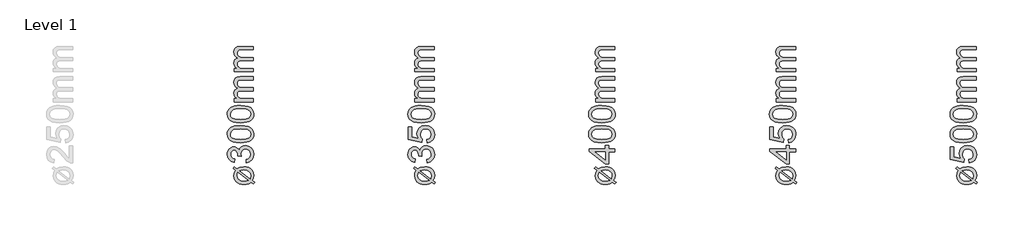
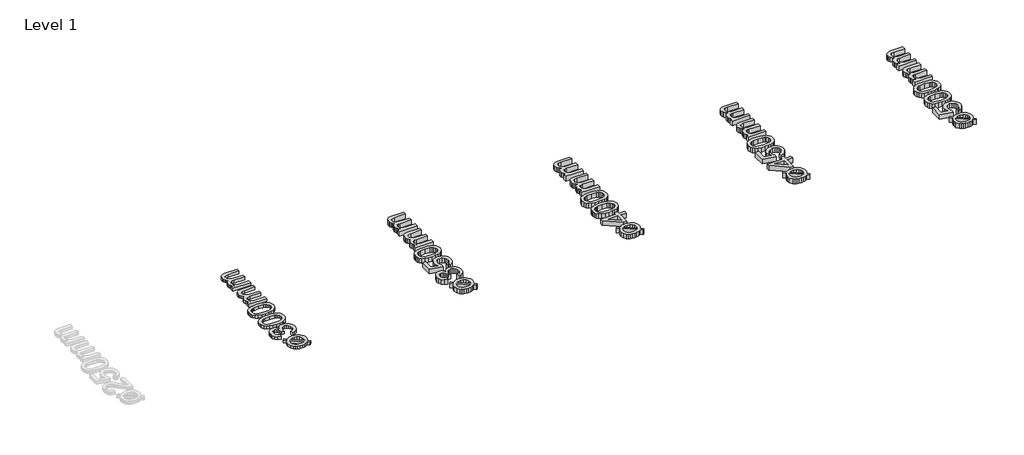
# One storey, part 17 of 17: 5 proxies.
"""IFC4 building model written with IfcOpenShell, lengths in millimetres."""

from ifc_helpers import new_model, si_unit, origin, origin_with_axes, place, context, project, spatial, polyline, outline, extrude, element, save

model = new_model("IFC4")

# Units and contexts
model_context = context("Model", 3, world=origin())
ifc_project = project(units=[si_unit("LENGTHUNIT", "METRE", prefix="MILLI")], contexts=[model_context])

# Site, building, storey
site = spatial("IfcSite", under=ifc_project)
building = spatial("IfcBuilding", under=site)
storey = spatial("IfcBuildingStorey", under=building, Name="Level 1", Elevation=0.0)

# Proxies
placement = place(None, origin())
element("IfcBuildingElementProxy", 1, Name="250mm", ObjectType="250mm", at=placement, inside=storey, context=model_context, shape_type="SweptSolid", body=[
    extrude(outline(polyline([(14143.3524153, 3032.5908228), (14119.0735691, 3050.9802459), (14130.2514537, 3065.6437074), (14155.6721268, 3046.3528421), (14181.934146, 3061.8576498), (14221.1168383, 3067.4465921), (14244.6595066, 3065.7000476), (14264.8668383, 3060.4604142), (14281.7388335, 3051.7276918), (14295.2754922, 3039.5018805), (14309.5182807, 3014.5169046), (14314.2658768, 2984.8744767), (14310.2244105, 2960.1298853), (14298.1000114, 2938.4201498), (14321.9581845, 2920.3312074), (14311.0206845, 2905.4273613), (14288.2442422, 2922.7350536), (14265.0471268, 2908.7326498), (14245.2454441, 2903.7296449), (14222.9798191, 2902.0619767), (14199.093476, 2903.5794046), (14178.7565619, 2908.1316882), (14161.9690769, 2915.7188276), (14148.731021, 2926.3408228), (14131.536009, 2952.7380584), (14125.8043383, 2983.3720728), (14130.0411172, 3008.3119767), (14143.3524153, 3032.5908228)]), holes=[polyline([(14165.2274153, 3016.0042844), (14158.7370307, 3000.619669), (14156.5735691, 2984.5138998), (14160.7277158, 2964.306568), (14173.1901557, 2947.6749574), (14193.8707446, 2936.5421449), (14222.6793383, 2932.8312074), (14245.0952037, 2934.9796449), (14263.544723, 2941.4249574), (14165.2274153, 3016.0042844)]), polyline([(14180.6120307, 3027.4826498), (14278.388473, 2953.3239959), (14283.496646, 2982.8913036), (14279.4326436, 3004.2254382), (14267.2406364, 3021.4730344), (14246.9356484, 3032.8762796), (14218.5327037, 3036.6773613), (14197.3187614, 3034.3336113), (14180.6120307, 3027.4826498)])]), origin_with_axes(), (0.0, 0.0, 1.0), 30.0),
    extrude(outline(polyline([(14245.0351076, 3105.9081305), (14241.1889537, 3136.6773613), (14260.5248912, 3143.5658829), (14273.5807807, 3153.6545248), (14281.0176797, 3167.43908), (14283.496646, 3185.4153421), (14280.0861893, 3206.5090921), (14269.8548191, 3222.7951498), (14254.590396, 3233.2068084), (14236.0807807, 3236.6773613), (14218.5101677, 3233.2368565), (14204.2598672, 3222.9153421), (14194.817259, 3207.2903421), (14191.669723, 3187.9393805), (14195.0351076, 3166.3648613), (14164.2658768, 3169.7903421), (14164.6264537, 3174.7182267), (14162.4179201, 3193.1527219), (14155.7923191, 3209.6340921), (14144.5843864, 3221.2626978), (14128.6288576, 3225.1388998), (14115.3400956, 3222.3294046), (14104.560348, 3213.900919), (14097.4164177, 3201.0403421), (14095.0351076, 3184.9345728), (14097.4389537, 3168.7987555), (14104.6504922, 3155.6076498), (14116.669723, 3145.9772411), (14133.496646, 3140.5235151), (14129.6504922, 3109.7542844), (14102.0212855, 3118.8137796), (14081.3932807, 3134.9345728), (14068.5477278, 3156.9898613), (14064.2658768, 3183.8528421), (14066.3767542, 3203.1962916), (14072.7093864, 3220.9622171), (14082.700372, 3235.9411834), (14095.7863095, 3246.9237555), (14110.8629321, 3253.6620368), (14126.825973, 3255.9081305), (14141.699771, 3253.7747171), (14155.1913576, 3247.3744767), (14166.684747, 3236.7975536), (14175.5639537, 3222.1340921), (14183.3464057, 3241.3949094), (14196.5976076, 3255.6677459), (14214.5964057, 3264.5018805), (14236.621646, 3267.4465921), (14266.6096268, 3261.557169), (14291.669723, 3243.8888998), (14301.5555403, 3231.3325596), (14308.6168383, 3217.2212315), (14314.2658768, 3184.3336113), (14309.4431605, 3154.5860151), (14294.9750114, 3130.3672651), (14272.8446028, 3113.525318), (14245.0351076, 3105.9081305)])), origin_with_axes(), (0.0, 0.0, 1.0), 30.0),
    extrude(outline(polyline([(14189.325973, 3294.369669), (14149.9254321, 3296.6307868), (14118.5026557, 3303.4141401), (14094.5768744, 3314.6521209), (14077.6673191, 3330.2771209), (14067.6162374, 3350.4018204), (14064.2658768, 3375.1388998), (14066.2490499, 3394.0992363), (14072.1985691, 3411.0763998), (14081.8815619, 3425.2741161), (14095.0651557, 3435.8961113), (14131.4834249, 3450.3191882), (14156.6862494, 3454.5108949), (14189.325973, 3455.9081305), (14228.5011533, 3453.6695488), (14259.8488095, 3446.9538036), (14283.7971268, 3435.783431), (14300.7742903, 3420.1809671), (14310.8929802, 3400.0111954), (14314.2658768, 3375.1388998), (14312.8010331, 3358.1917844), (14308.4065018, 3343.1677459), (14301.0822831, 3330.0667844), (14290.8283768, 3318.8888998), (14272.2924694, 3308.1617363), (14249.1967662, 3300.4994767), (14221.5412674, 3295.9021209), (14189.325973, 3294.369669)]), holes=[polyline([(14189.2658768, 3325.1388998), (14237.6658167, 3328.744669), (14254.2204291, 3333.2518805), (14265.6781364, 3339.5619767), (14279.0420186, 3355.6677459), (14283.496646, 3375.1388998), (14279.0269946, 3394.6100536), (14265.6180403, 3410.7158228), (14254.1415529, 3417.025919), (14237.5906965, 3421.5331305), (14189.2658768, 3425.1388998), (14141.9551797, 3421.6533228), (14125.4550295, 3417.2963517), (14113.7250114, 3411.1965921), (14099.7075835, 3395.1208709), (14095.0351076, 3374.7783228), (14099.1516941, 3355.5175055), (14111.5014537, 3340.0427459), (14124.2718864, 3333.5223132), (14141.4894345, 3328.8648613), (14189.2658768, 3325.1388998)])]), origin_with_axes(), (0.0, 0.0, 1.0), 30.0),
    extrude(outline(polyline([(14189.325973, 3482.8312074), (14149.9254321, 3485.0923252), (14118.5026557, 3491.8756786), (14094.5768744, 3503.1136594), (14077.6673191, 3518.7386594), (14067.6162374, 3538.8633589), (14064.2658768, 3563.6004382), (14066.2490499, 3582.5607748), (14072.1985691, 3599.5379382), (14081.8815619, 3613.7356546), (14095.0651557, 3624.3576498), (14131.4834249, 3638.7807267), (14156.6862494, 3642.9724334), (14189.325973, 3644.369669), (14228.5011533, 3642.1310873), (14259.8488095, 3635.4153421), (14283.7971268, 3624.2449695), (14300.7742903, 3608.6425055), (14310.8929802, 3588.4727339), (14314.2658768, 3563.6004382), (14312.8010331, 3546.6533228), (14308.4065018, 3531.6292844), (14301.0822831, 3518.5283228), (14290.8283768, 3507.3504382), (14272.2924694, 3496.6232748), (14249.1967662, 3488.9610151), (14221.5412674, 3484.3636594), (14189.325973, 3482.8312074)]), holes=[polyline([(14189.2658768, 3513.6004382), (14237.6658167, 3517.2062074), (14254.2204291, 3521.713419), (14265.6781364, 3528.0235151), (14279.0420186, 3544.1292844), (14283.496646, 3563.6004382), (14279.0269946, 3583.0715921), (14265.6180403, 3599.1773613), (14254.1415529, 3605.4874574), (14237.5906965, 3609.994669), (14189.2658768, 3613.6004382), (14141.9551797, 3610.1148613), (14125.4550295, 3605.7578901), (14113.7250114, 3599.6581305), (14099.7075835, 3583.5824094), (14095.0351076, 3563.2398613), (14099.1516941, 3543.979044), (14111.5014537, 3528.5042844), (14124.2718864, 3521.9838517), (14141.4894345, 3517.3263998), (14189.2658768, 3513.6004382)])]), origin_with_axes(), (0.0, 0.0, 1.0), 30.0),
    extrude(outline(polyline([(14310.419723, 3678.9850536), (14129.6504922, 3678.9850536), (14129.6504922, 3709.7542844), (14159.3980883, 3709.7542844), (14145.7337254, 3719.0090921), (14135.029098, 3730.9081305), (14128.1105283, 3745.0457507), (14125.8043383, 3761.0163036), (14128.1556004, 3778.1286834), (14135.2093864, 3791.8456305), (14146.4999513, 3802.0920248), (14161.5615499, 3808.7927459), (14145.9177698, 3820.0081906), (14134.7436412, 3832.8011594), (14128.0391641, 3847.1716522), (14125.8043383, 3863.119669), (14129.5227879, 3886.2491762), (14140.6781364, 3903.354044), (14159.5708648, 3913.923455), (14186.5014537, 3917.4465921), (14310.419723, 3917.4465921), (14310.419723, 3886.6773613), (14199.7226076, 3886.6773613), (14174.0315018, 3883.822794), (14161.3812614, 3873.4862555), (14156.5735691, 3855.9081305), (14159.653497, 3839.2389599), (14168.8932807, 3825.6497171), (14184.9239297, 3816.6127579), (14208.3764537, 3813.6004382), (14310.419723, 3813.6004382), (14310.419723, 3782.8312074), (14196.2971268, 3782.8312074), (14178.8992903, 3781.0508589), (14166.4894345, 3775.7098132), (14159.0525355, 3766.3122772), (14156.5735691, 3752.3624574), (14158.2262133, 3740.5084911), (14163.184146, 3729.5860151), (14171.3271749, 3720.5715921), (14182.5351076, 3714.4417844), (14219.2538576, 3709.7542844), (14310.419723, 3709.7542844), (14310.419723, 3678.9850536)])), origin_with_axes(), (0.0, 0.0, 1.0), 30.0),
    extrude(outline(polyline([(14310.419723, 3963.6004382), (14129.6504922, 3963.6004382), (14129.6504922, 3994.369669), (14159.3980883, 3994.369669), (14145.7337254, 4003.6244767), (14135.029098, 4015.5235151), (14128.1105283, 4029.6611353), (14125.8043383, 4045.6316882), (14128.1556004, 4062.744068), (14135.2093864, 4076.4610151), (14146.4999513, 4086.7074094), (14161.5615499, 4093.4081305), (14145.9177698, 4104.6235752), (14134.7436412, 4117.416544), (14128.0391641, 4131.7870368), (14125.8043383, 4147.7350536), (14129.5227879, 4170.8645608), (14140.6781364, 4187.9694286), (14159.5708648, 4198.5388397), (14186.5014537, 4202.0619767), (14310.419723, 4202.0619767), (14310.419723, 4171.2927459), (14199.7226076, 4171.2927459), (14174.0315018, 4168.4381786), (14161.3812614, 4158.1016401), (14156.5735691, 4140.5235151), (14159.653497, 4123.8543445), (14168.8932807, 4110.2651017), (14184.9239297, 4101.2281425), (14208.3764537, 4098.2158228), (14310.419723, 4098.2158228), (14310.419723, 4067.4465921), (14196.2971268, 4067.4465921), (14178.8992903, 4065.6662435), (14166.4894345, 4060.3251978), (14159.0525355, 4050.9276618), (14156.5735691, 4036.9778421), (14158.2262133, 4025.1238757), (14163.184146, 4014.2013998), (14171.3271749, 4005.1869767), (14182.5351076, 3999.057169), (14219.2538576, 3994.369669), (14310.419723, 3994.369669), (14310.419723, 3963.6004382)])), origin_with_axes(), (0.0, 0.0, 1.0), 30.0),
])
element("IfcBuildingElementProxy", 2, Name="250mm", ObjectType="250mm", at=placement, inside=storey, context=model_context, shape_type="SweptSolid", body=[
    extrude(outline(polyline([(15843.3524153, 3032.5908228), (15819.0735691, 3050.9802459), (15830.2514537, 3065.6437074), (15855.6721268, 3046.3528421), (15881.934146, 3061.8576498), (15921.1168383, 3067.4465921), (15944.6595066, 3065.7000476), (15964.8668383, 3060.4604142), (15981.7388335, 3051.7276918), (15995.2754922, 3039.5018805), (16009.5182807, 3014.5169046), (16014.2658768, 2984.8744767), (16010.2244105, 2960.1298853), (15998.1000114, 2938.4201498), (16021.9581845, 2920.3312074), (16011.0206845, 2905.4273613), (15988.2442422, 2922.7350536), (15965.0471268, 2908.7326498), (15945.2454441, 2903.7296449), (15922.9798191, 2902.0619767), (15899.093476, 2903.5794046), (15878.7565619, 2908.1316882), (15861.9690769, 2915.7188276), (15848.731021, 2926.3408228), (15831.536009, 2952.7380584), (15825.8043383, 2983.3720728), (15830.0411172, 3008.3119767), (15843.3524153, 3032.5908228)]), holes=[polyline([(15865.2274153, 3016.0042844), (15858.7370307, 3000.619669), (15856.5735691, 2984.5138998), (15860.7277158, 2964.306568), (15873.1901557, 2947.6749574), (15893.8707446, 2936.5421449), (15922.6793383, 2932.8312074), (15945.0952037, 2934.9796449), (15963.544723, 2941.4249574), (15865.2274153, 3016.0042844)]), polyline([(15880.6120307, 3027.4826498), (15978.388473, 2953.3239959), (15983.496646, 2982.8913036), (15979.4326436, 3004.2254382), (15967.2406364, 3021.4730344), (15946.9356484, 3032.8762796), (15918.5327037, 3036.6773613), (15897.3187614, 3034.3336113), (15880.6120307, 3027.4826498)])]), origin_with_axes(), (0.0, 0.0, 1.0), 50.0),
    extrude(outline(polyline([(15945.0351076, 3105.9081305), (15941.1889537, 3136.6773613), (15960.5248912, 3143.5658829), (15973.5807807, 3153.6545248), (15981.0176797, 3167.43908), (15983.496646, 3185.4153421), (15980.0861893, 3206.5090921), (15969.8548191, 3222.7951498), (15954.590396, 3233.2068084), (15936.0807807, 3236.6773613), (15918.5101677, 3233.2368565), (15904.2598672, 3222.9153421), (15894.817259, 3207.2903421), (15891.669723, 3187.9393805), (15895.0351076, 3166.3648613), (15864.2658768, 3169.7903421), (15864.6264537, 3174.7182267), (15862.4179201, 3193.1527219), (15855.7923191, 3209.6340921), (15844.5843864, 3221.2626978), (15828.6288576, 3225.1388998), (15815.3400956, 3222.3294046), (15804.560348, 3213.900919), (15797.4164177, 3201.0403421), (15795.0351076, 3184.9345728), (15797.4389537, 3168.7987555), (15804.6504922, 3155.6076498), (15816.669723, 3145.9772411), (15833.496646, 3140.5235151), (15829.6504922, 3109.7542844), (15802.0212855, 3118.8137796), (15781.3932807, 3134.9345728), (15768.5477278, 3156.9898613), (15764.2658768, 3183.8528421), (15766.3767542, 3203.1962916), (15772.7093864, 3220.9622171), (15782.700372, 3235.9411834), (15795.7863095, 3246.9237555), (15810.8629321, 3253.6620368), (15826.825973, 3255.9081305), (15841.699771, 3253.7747171), (15855.1913576, 3247.3744767), (15866.684747, 3236.7975536), (15875.5639537, 3222.1340921), (15883.3464057, 3241.3949094), (15896.5976076, 3255.6677459), (15914.5964057, 3264.5018805), (15936.621646, 3267.4465921), (15966.6096268, 3261.557169), (15991.669723, 3243.8888998), (16001.5555403, 3231.3325596), (16008.6168383, 3217.2212315), (16014.2658768, 3184.3336113), (16009.4431605, 3154.5860151), (15994.9750114, 3130.3672651), (15972.8446028, 3113.525318), (15945.0351076, 3105.9081305)])), origin_with_axes(), (0.0, 0.0, 1.0), 50.0),
    extrude(outline(polyline([(15945.0351076, 3294.369669), (15941.1889537, 3325.1388998), (15959.661009, 3330.7879382), (15972.8896749, 3340.6437074), (15980.8449033, 3354.6611353), (15983.496646, 3372.7951498), (15979.8082446, 3394.8504382), (15968.7430403, 3411.3768805), (15951.5780763, 3421.6983949), (15929.590396, 3425.1388998), (15908.887271, 3421.9162435), (15893.0519345, 3412.2482748), (15883.0008528, 3396.0598733), (15879.6504922, 3373.275919), (15884.9990499, 3346.2626978), (15898.8812614, 3328.9850536), (15895.0351076, 3298.2158228), (15768.1120307, 3325.1388998), (15768.1120307, 3444.369669), (15798.8812614, 3444.369669), (15798.8812614, 3350.0187074), (15866.669723, 3336.8576498), (15853.3283768, 3358.837818), (15848.8812614, 3381.869669), (15854.3950835, 3410.6181666), (15870.9365499, 3434.4838517), (15896.1468864, 3450.5520608), (15927.6673191, 3455.9081305), (15958.4365499, 3451.0854142), (15984.7586653, 3436.6172651), (15997.6680703, 3423.8318084), (16006.8890739, 3408.9129382), (16012.4216761, 3391.8606546), (16014.2658768, 3372.6749574), (16009.5257927, 3342.4541041), (15995.3055403, 3318.3780824), (15973.2577638, 3301.8741762), (15945.0351076, 3294.369669)])), origin_with_axes(), (0.0, 0.0, 1.0), 50.0),
    extrude(outline(polyline([(15889.325973, 3482.8312074), (15849.9254321, 3485.0923252), (15818.5026557, 3491.8756786), (15794.5768744, 3503.1136594), (15777.6673191, 3518.7386594), (15767.6162374, 3538.8633589), (15764.2658768, 3563.6004382), (15766.2490499, 3582.5607748), (15772.1985691, 3599.5379382), (15781.8815619, 3613.7356546), (15795.0651557, 3624.3576498), (15831.4834249, 3638.7807267), (15856.6862494, 3642.9724334), (15889.325973, 3644.369669), (15928.5011533, 3642.1310873), (15959.8488095, 3635.4153421), (15983.7971268, 3624.2449695), (16000.7742903, 3608.6425055), (16010.8929802, 3588.4727339), (16014.2658768, 3563.6004382), (16012.8010331, 3546.6533228), (16008.4065018, 3531.6292844), (16001.0822831, 3518.5283228), (15990.8283768, 3507.3504382), (15972.2924694, 3496.6232748), (15949.1967662, 3488.9610151), (15921.5412674, 3484.3636594), (15889.325973, 3482.8312074)]), holes=[polyline([(15889.2658768, 3513.6004382), (15937.6658167, 3517.2062074), (15954.2204291, 3521.713419), (15965.6781364, 3528.0235151), (15979.0420186, 3544.1292844), (15983.496646, 3563.6004382), (15979.0269946, 3583.0715921), (15965.6180403, 3599.1773613), (15954.1415529, 3605.4874574), (15937.5906965, 3609.994669), (15889.2658768, 3613.6004382), (15841.9551797, 3610.1148613), (15825.4550295, 3605.7578901), (15813.7250114, 3599.6581305), (15799.7075835, 3583.5824094), (15795.0351076, 3563.2398613), (15799.1516941, 3543.979044), (15811.5014537, 3528.5042844), (15824.2718864, 3521.9838517), (15841.4894345, 3517.3263998), (15889.2658768, 3513.6004382)])]), origin_with_axes(), (0.0, 0.0, 1.0), 50.0),
    extrude(outline(polyline([(16010.419723, 3678.9850536), (15829.6504922, 3678.9850536), (15829.6504922, 3709.7542844), (15859.3980883, 3709.7542844), (15845.7337254, 3719.0090921), (15835.029098, 3730.9081305), (15828.1105283, 3745.0457507), (15825.8043383, 3761.0163036), (15828.1556004, 3778.1286834), (15835.2093864, 3791.8456305), (15846.4999513, 3802.0920248), (15861.5615499, 3808.7927459), (15845.9177698, 3820.0081906), (15834.7436412, 3832.8011594), (15828.0391641, 3847.1716522), (15825.8043383, 3863.119669), (15829.5227879, 3886.2491762), (15840.6781364, 3903.354044), (15859.5708648, 3913.923455), (15886.5014537, 3917.4465921), (16010.419723, 3917.4465921), (16010.419723, 3886.6773613), (15899.7226076, 3886.6773613), (15874.0315018, 3883.822794), (15861.3812614, 3873.4862555), (15856.5735691, 3855.9081305), (15859.653497, 3839.2389599), (15868.8932807, 3825.6497171), (15884.9239297, 3816.6127579), (15908.3764537, 3813.6004382), (16010.419723, 3813.6004382), (16010.419723, 3782.8312074), (15896.2971268, 3782.8312074), (15878.8992903, 3781.0508589), (15866.4894345, 3775.7098132), (15859.0525355, 3766.3122772), (15856.5735691, 3752.3624574), (15858.2262133, 3740.5084911), (15863.184146, 3729.5860151), (15871.3271749, 3720.5715921), (15882.5351076, 3714.4417844), (15919.2538576, 3709.7542844), (16010.419723, 3709.7542844), (16010.419723, 3678.9850536)])), origin_with_axes(), (0.0, 0.0, 1.0), 50.0),
    extrude(outline(polyline([(16010.419723, 3963.6004382), (15829.6504922, 3963.6004382), (15829.6504922, 3994.369669), (15859.3980883, 3994.369669), (15845.7337254, 4003.6244767), (15835.029098, 4015.5235151), (15828.1105283, 4029.6611353), (15825.8043383, 4045.6316882), (15828.1556004, 4062.744068), (15835.2093864, 4076.4610151), (15846.4999513, 4086.7074094), (15861.5615499, 4093.4081305), (15845.9177698, 4104.6235752), (15834.7436412, 4117.416544), (15828.0391641, 4131.7870368), (15825.8043383, 4147.7350536), (15829.5227879, 4170.8645608), (15840.6781364, 4187.9694286), (15859.5708648, 4198.5388397), (15886.5014537, 4202.0619767), (16010.419723, 4202.0619767), (16010.419723, 4171.2927459), (15899.7226076, 4171.2927459), (15874.0315018, 4168.4381786), (15861.3812614, 4158.1016401), (15856.5735691, 4140.5235151), (15859.653497, 4123.8543445), (15868.8932807, 4110.2651017), (15884.9239297, 4101.2281425), (15908.3764537, 4098.2158228), (16010.419723, 4098.2158228), (16010.419723, 4067.4465921), (15896.2971268, 4067.4465921), (15878.8992903, 4065.6662435), (15866.4894345, 4060.3251978), (15859.0525355, 4050.9276618), (15856.5735691, 4036.9778421), (15858.2262133, 4025.1238757), (15863.184146, 4014.2013998), (15871.3271749, 4005.1869767), (15882.5351076, 3999.057169), (15919.2538576, 3994.369669), (16010.419723, 3994.369669), (16010.419723, 3963.6004382)])), origin_with_axes(), (0.0, 0.0, 1.0), 50.0),
])
element("IfcBuildingElementProxy", 3, Name="250mm", ObjectType="250mm", at=placement, inside=storey, context=model_context, shape_type="SweptSolid", body=[
    extrude(outline(polyline([(17542.8524153, 3032.5908228), (17518.5735691, 3050.9802459), (17529.7514537, 3065.6437074), (17555.1721268, 3046.3528421), (17581.434146, 3061.8576498), (17620.6168383, 3067.4465921), (17644.1595066, 3065.7000476), (17664.3668383, 3060.4604142), (17681.2388335, 3051.7276918), (17694.7754922, 3039.5018805), (17709.0182807, 3014.5169046), (17713.7658768, 2984.8744767), (17709.7244105, 2960.1298853), (17697.6000114, 2938.4201498), (17721.4581845, 2920.3312074), (17710.5206845, 2905.4273613), (17687.7442422, 2922.7350536), (17664.5471268, 2908.7326498), (17644.7454441, 2903.7296449), (17622.4798191, 2902.0619767), (17598.593476, 2903.5794046), (17578.2565619, 2908.1316882), (17561.4690769, 2915.7188276), (17548.231021, 2926.3408228), (17531.036009, 2952.7380584), (17525.3043383, 2983.3720728), (17529.5411172, 3008.3119767), (17542.8524153, 3032.5908228)]), holes=[polyline([(17564.7274153, 3016.0042844), (17558.2370307, 3000.619669), (17556.0735691, 2984.5138998), (17560.2277158, 2964.306568), (17572.6901557, 2947.6749574), (17593.3707446, 2936.5421449), (17622.1793383, 2932.8312074), (17644.5952037, 2934.9796449), (17663.044723, 2941.4249574), (17564.7274153, 3016.0042844)]), polyline([(17580.1120307, 3027.4826498), (17677.888473, 2953.3239959), (17682.996646, 2982.8913036), (17678.9326436, 3004.2254382), (17666.7406364, 3021.4730344), (17646.4356484, 3032.8762796), (17618.0327037, 3036.6773613), (17596.8187614, 3034.3336113), (17580.1120307, 3027.4826498)])]), origin_with_axes(), (0.0, 0.0, 1.0), 50.0),
    extrude(outline(polyline([(17709.919723, 3205.9081305), (17652.2274153, 3205.9081305), (17652.2274153, 3094.369669), (17621.4581845, 3094.369669), (17467.6120307, 3213.6004382), (17467.6120307, 3236.6773613), (17621.4581845, 3236.6773613), (17621.4581845, 3267.4465921), (17652.2274153, 3267.4465921), (17652.2274153, 3236.6773613), (17709.919723, 3236.6773613), (17709.919723, 3205.9081305)]), holes=[polyline([(17621.4581845, 3205.9081305), (17526.3860691, 3205.9081305), (17621.4581845, 3132.2302459), (17621.4581845, 3205.9081305)])]), origin_with_axes(), (0.0, 0.0, 1.0), 50.0),
    extrude(outline(polyline([(17588.825973, 3294.369669), (17549.4254321, 3296.6307868), (17518.0026557, 3303.4141401), (17494.0768744, 3314.6521209), (17477.1673191, 3330.2771209), (17467.1162374, 3350.4018204), (17463.7658768, 3375.1388998), (17465.7490499, 3394.0992363), (17471.6985691, 3411.0763998), (17481.3815619, 3425.2741161), (17494.5651557, 3435.8961113), (17530.9834249, 3450.3191882), (17556.1862494, 3454.5108949), (17588.825973, 3455.9081305), (17628.0011533, 3453.6695488), (17659.3488095, 3446.9538036), (17683.2971268, 3435.783431), (17700.2742903, 3420.1809671), (17710.3929802, 3400.0111954), (17713.7658768, 3375.1388998), (17712.3010331, 3358.1917844), (17707.9065018, 3343.1677459), (17700.5822831, 3330.0667844), (17690.3283768, 3318.8888998), (17671.7924694, 3308.1617363), (17648.6967662, 3300.4994767), (17621.0412674, 3295.9021209), (17588.825973, 3294.369669)]), holes=[polyline([(17588.7658768, 3325.1388998), (17637.1658167, 3328.744669), (17653.7204291, 3333.2518805), (17665.1781364, 3339.5619767), (17678.5420186, 3355.6677459), (17682.996646, 3375.1388998), (17678.5269946, 3394.6100536), (17665.1180403, 3410.7158228), (17653.6415529, 3417.025919), (17637.0906965, 3421.5331305), (17588.7658768, 3425.1388998), (17541.4551797, 3421.6533228), (17524.9550295, 3417.2963517), (17513.2250114, 3411.1965921), (17499.2075835, 3395.1208709), (17494.5351076, 3374.7783228), (17498.6516941, 3355.5175055), (17511.0014537, 3340.0427459), (17523.7718864, 3333.5223132), (17540.9894345, 3328.8648613), (17588.7658768, 3325.1388998)])]), origin_with_axes(), (0.0, 0.0, 1.0), 50.0),
    extrude(outline(polyline([(17588.825973, 3482.8312074), (17549.4254321, 3485.0923252), (17518.0026557, 3491.8756786), (17494.0768744, 3503.1136594), (17477.1673191, 3518.7386594), (17467.1162374, 3538.8633589), (17463.7658768, 3563.6004382), (17465.7490499, 3582.5607748), (17471.6985691, 3599.5379382), (17481.3815619, 3613.7356546), (17494.5651557, 3624.3576498), (17530.9834249, 3638.7807267), (17556.1862494, 3642.9724334), (17588.825973, 3644.369669), (17628.0011533, 3642.1310873), (17659.3488095, 3635.4153421), (17683.2971268, 3624.2449695), (17700.2742903, 3608.6425055), (17710.3929802, 3588.4727339), (17713.7658768, 3563.6004382), (17712.3010331, 3546.6533228), (17707.9065018, 3531.6292844), (17700.5822831, 3518.5283228), (17690.3283768, 3507.3504382), (17671.7924694, 3496.6232748), (17648.6967662, 3488.9610151), (17621.0412674, 3484.3636594), (17588.825973, 3482.8312074)]), holes=[polyline([(17588.7658768, 3513.6004382), (17637.1658167, 3517.2062074), (17653.7204291, 3521.713419), (17665.1781364, 3528.0235151), (17678.5420186, 3544.1292844), (17682.996646, 3563.6004382), (17678.5269946, 3583.0715921), (17665.1180403, 3599.1773613), (17653.6415529, 3605.4874574), (17637.0906965, 3609.994669), (17588.7658768, 3613.6004382), (17541.4551797, 3610.1148613), (17524.9550295, 3605.7578901), (17513.2250114, 3599.6581305), (17499.2075835, 3583.5824094), (17494.5351076, 3563.2398613), (17498.6516941, 3543.979044), (17511.0014537, 3528.5042844), (17523.7718864, 3521.9838517), (17540.9894345, 3517.3263998), (17588.7658768, 3513.6004382)])]), origin_with_axes(), (0.0, 0.0, 1.0), 50.0),
    extrude(outline(polyline([(17709.919723, 3678.9850536), (17529.1504922, 3678.9850536), (17529.1504922, 3709.7542844), (17558.8980883, 3709.7542844), (17545.2337254, 3719.0090921), (17534.529098, 3730.9081305), (17527.6105283, 3745.0457507), (17525.3043383, 3761.0163036), (17527.6556004, 3778.1286834), (17534.7093864, 3791.8456305), (17545.9999513, 3802.0920248), (17561.0615499, 3808.7927459), (17545.4177698, 3820.0081906), (17534.2436412, 3832.8011594), (17527.5391641, 3847.1716522), (17525.3043383, 3863.119669), (17529.0227879, 3886.2491762), (17540.1781364, 3903.354044), (17559.0708648, 3913.923455), (17586.0014537, 3917.4465921), (17709.919723, 3917.4465921), (17709.919723, 3886.6773613), (17599.2226076, 3886.6773613), (17573.5315018, 3883.822794), (17560.8812614, 3873.4862555), (17556.0735691, 3855.9081305), (17559.153497, 3839.2389599), (17568.3932807, 3825.6497171), (17584.4239297, 3816.6127579), (17607.8764537, 3813.6004382), (17709.919723, 3813.6004382), (17709.919723, 3782.8312074), (17595.7971268, 3782.8312074), (17578.3992903, 3781.0508589), (17565.9894345, 3775.7098132), (17558.5525355, 3766.3122772), (17556.0735691, 3752.3624574), (17557.7262133, 3740.5084911), (17562.684146, 3729.5860151), (17570.8271749, 3720.5715921), (17582.0351076, 3714.4417844), (17618.7538576, 3709.7542844), (17709.919723, 3709.7542844), (17709.919723, 3678.9850536)])), origin_with_axes(), (0.0, 0.0, 1.0), 50.0),
    extrude(outline(polyline([(17709.919723, 3963.6004382), (17529.1504922, 3963.6004382), (17529.1504922, 3994.369669), (17558.8980883, 3994.369669), (17545.2337254, 4003.6244767), (17534.529098, 4015.5235151), (17527.6105283, 4029.6611353), (17525.3043383, 4045.6316882), (17527.6556004, 4062.744068), (17534.7093864, 4076.4610151), (17545.9999513, 4086.7074094), (17561.0615499, 4093.4081305), (17545.4177698, 4104.6235752), (17534.2436412, 4117.416544), (17527.5391641, 4131.7870368), (17525.3043383, 4147.7350536), (17529.0227879, 4170.8645608), (17540.1781364, 4187.9694286), (17559.0708648, 4198.5388397), (17586.0014537, 4202.0619767), (17709.919723, 4202.0619767), (17709.919723, 4171.2927459), (17599.2226076, 4171.2927459), (17573.5315018, 4168.4381786), (17560.8812614, 4158.1016401), (17556.0735691, 4140.5235151), (17559.153497, 4123.8543445), (17568.3932807, 4110.2651017), (17584.4239297, 4101.2281425), (17607.8764537, 4098.2158228), (17709.919723, 4098.2158228), (17709.919723, 4067.4465921), (17595.7971268, 4067.4465921), (17578.3992903, 4065.6662435), (17565.9894345, 4060.3251978), (17558.5525355, 4050.9276618), (17556.0735691, 4036.9778421), (17557.7262133, 4025.1238757), (17562.684146, 4014.2013998), (17570.8271749, 4005.1869767), (17582.0351076, 3999.057169), (17618.7538576, 3994.369669), (17709.919723, 3994.369669), (17709.919723, 3963.6004382)])), origin_with_axes(), (0.0, 0.0, 1.0), 50.0),
])
element("IfcBuildingElementProxy", 4, Name="250mm", ObjectType="250mm", at=placement, inside=storey, context=model_context, shape_type="SweptSolid", body=[
    extrude(outline(polyline([(19242.8524153, 3032.5908228), (19218.5735691, 3050.9802459), (19229.7514537, 3065.6437074), (19255.1721268, 3046.3528421), (19281.434146, 3061.8576498), (19320.6168383, 3067.4465921), (19344.1595066, 3065.7000476), (19364.3668383, 3060.4604142), (19381.2388335, 3051.7276918), (19394.7754922, 3039.5018805), (19409.0182807, 3014.5169046), (19413.7658768, 2984.8744767), (19409.7244105, 2960.1298853), (19397.6000114, 2938.4201498), (19421.4581845, 2920.3312074), (19410.5206845, 2905.4273613), (19387.7442422, 2922.7350536), (19364.5471268, 2908.7326498), (19344.7454441, 2903.7296449), (19322.4798191, 2902.0619767), (19298.593476, 2903.5794046), (19278.2565619, 2908.1316882), (19261.4690769, 2915.7188276), (19248.231021, 2926.3408228), (19231.036009, 2952.7380584), (19225.3043383, 2983.3720728), (19229.5411172, 3008.3119767), (19242.8524153, 3032.5908228)]), holes=[polyline([(19264.7274153, 3016.0042844), (19258.2370307, 3000.619669), (19256.0735691, 2984.5138998), (19260.2277158, 2964.306568), (19272.6901557, 2947.6749574), (19293.3707446, 2936.5421449), (19322.1793383, 2932.8312074), (19344.5952037, 2934.9796449), (19363.044723, 2941.4249574), (19264.7274153, 3016.0042844)]), polyline([(19280.1120307, 3027.4826498), (19377.888473, 2953.3239959), (19382.996646, 2982.8913036), (19378.9326436, 3004.2254382), (19366.7406364, 3021.4730344), (19346.4356484, 3032.8762796), (19318.0327037, 3036.6773613), (19296.8187614, 3034.3336113), (19280.1120307, 3027.4826498)])]), origin_with_axes(), (0.0, 0.0, 1.0), 50.0),
    extrude(outline(polyline([(19409.919723, 3205.9081305), (19352.2274153, 3205.9081305), (19352.2274153, 3094.369669), (19321.4581845, 3094.369669), (19167.6120307, 3213.6004382), (19167.6120307, 3236.6773613), (19321.4581845, 3236.6773613), (19321.4581845, 3267.4465921), (19352.2274153, 3267.4465921), (19352.2274153, 3236.6773613), (19409.919723, 3236.6773613), (19409.919723, 3205.9081305)]), holes=[polyline([(19321.4581845, 3205.9081305), (19226.3860691, 3205.9081305), (19321.4581845, 3132.2302459), (19321.4581845, 3205.9081305)])]), origin_with_axes(), (0.0, 0.0, 1.0), 50.0),
    extrude(outline(polyline([(19344.5351076, 3294.369669), (19340.6889537, 3325.1388998), (19359.161009, 3330.7879382), (19372.3896749, 3340.6437074), (19380.3449033, 3354.6611353), (19382.996646, 3372.7951498), (19379.3082446, 3394.8504382), (19368.2430403, 3411.3768805), (19351.0780763, 3421.6983949), (19329.090396, 3425.1388998), (19308.387271, 3421.9162435), (19292.5519345, 3412.2482748), (19282.5008528, 3396.0598733), (19279.1504922, 3373.275919), (19284.4990499, 3346.2626978), (19298.3812614, 3328.9850536), (19294.5351076, 3298.2158228), (19167.6120307, 3325.1388998), (19167.6120307, 3444.369669), (19198.3812614, 3444.369669), (19198.3812614, 3350.0187074), (19266.169723, 3336.8576498), (19252.8283768, 3358.837818), (19248.3812614, 3381.869669), (19253.8950835, 3410.6181666), (19270.4365499, 3434.4838517), (19295.6468864, 3450.5520608), (19327.1673191, 3455.9081305), (19357.9365499, 3451.0854142), (19384.2586653, 3436.6172651), (19397.1680703, 3423.8318084), (19406.3890739, 3408.9129382), (19411.9216761, 3391.8606546), (19413.7658768, 3372.6749574), (19409.0257927, 3342.4541041), (19394.8055403, 3318.3780824), (19372.7577638, 3301.8741762), (19344.5351076, 3294.369669)])), origin_with_axes(), (0.0, 0.0, 1.0), 50.0),
    extrude(outline(polyline([(19288.825973, 3482.8312074), (19249.4254321, 3485.0923252), (19218.0026557, 3491.8756786), (19194.0768744, 3503.1136594), (19177.1673191, 3518.7386594), (19167.1162374, 3538.8633589), (19163.7658768, 3563.6004382), (19165.7490499, 3582.5607748), (19171.6985691, 3599.5379382), (19181.3815619, 3613.7356546), (19194.5651557, 3624.3576498), (19230.9834249, 3638.7807267), (19256.1862494, 3642.9724334), (19288.825973, 3644.369669), (19328.0011533, 3642.1310873), (19359.3488095, 3635.4153421), (19383.2971268, 3624.2449695), (19400.2742903, 3608.6425055), (19410.3929802, 3588.4727339), (19413.7658768, 3563.6004382), (19412.3010331, 3546.6533228), (19407.9065018, 3531.6292844), (19400.5822831, 3518.5283228), (19390.3283768, 3507.3504382), (19371.7924694, 3496.6232748), (19348.6967662, 3488.9610151), (19321.0412674, 3484.3636594), (19288.825973, 3482.8312074)]), holes=[polyline([(19288.7658768, 3513.6004382), (19337.1658167, 3517.2062074), (19353.7204291, 3521.713419), (19365.1781364, 3528.0235151), (19378.5420186, 3544.1292844), (19382.996646, 3563.6004382), (19378.5269946, 3583.0715921), (19365.1180403, 3599.1773613), (19353.6415529, 3605.4874574), (19337.0906965, 3609.994669), (19288.7658768, 3613.6004382), (19241.4551797, 3610.1148613), (19224.9550295, 3605.7578901), (19213.2250114, 3599.6581305), (19199.2075835, 3583.5824094), (19194.5351076, 3563.2398613), (19198.6516941, 3543.979044), (19211.0014537, 3528.5042844), (19223.7718864, 3521.9838517), (19240.9894345, 3517.3263998), (19288.7658768, 3513.6004382)])]), origin_with_axes(), (0.0, 0.0, 1.0), 50.0),
    extrude(outline(polyline([(19409.919723, 3678.9850536), (19229.1504922, 3678.9850536), (19229.1504922, 3709.7542844), (19258.8980883, 3709.7542844), (19245.2337254, 3719.0090921), (19234.529098, 3730.9081305), (19227.6105283, 3745.0457507), (19225.3043383, 3761.0163036), (19227.6556004, 3778.1286834), (19234.7093864, 3791.8456305), (19245.9999513, 3802.0920248), (19261.0615499, 3808.7927459), (19245.4177698, 3820.0081906), (19234.2436412, 3832.8011594), (19227.5391641, 3847.1716522), (19225.3043383, 3863.119669), (19229.0227879, 3886.2491762), (19240.1781364, 3903.354044), (19259.0708648, 3913.923455), (19286.0014537, 3917.4465921), (19409.919723, 3917.4465921), (19409.919723, 3886.6773613), (19299.2226076, 3886.6773613), (19273.5315018, 3883.822794), (19260.8812614, 3873.4862555), (19256.0735691, 3855.9081305), (19259.153497, 3839.2389599), (19268.3932807, 3825.6497171), (19284.4239297, 3816.6127579), (19307.8764537, 3813.6004382), (19409.919723, 3813.6004382), (19409.919723, 3782.8312074), (19295.7971268, 3782.8312074), (19278.3992903, 3781.0508589), (19265.9894345, 3775.7098132), (19258.5525355, 3766.3122772), (19256.0735691, 3752.3624574), (19257.7262133, 3740.5084911), (19262.684146, 3729.5860151), (19270.8271749, 3720.5715921), (19282.0351076, 3714.4417844), (19318.7538576, 3709.7542844), (19409.919723, 3709.7542844), (19409.919723, 3678.9850536)])), origin_with_axes(), (0.0, 0.0, 1.0), 50.0),
    extrude(outline(polyline([(19409.919723, 3963.6004382), (19229.1504922, 3963.6004382), (19229.1504922, 3994.369669), (19258.8980883, 3994.369669), (19245.2337254, 4003.6244767), (19234.529098, 4015.5235151), (19227.6105283, 4029.6611353), (19225.3043383, 4045.6316882), (19227.6556004, 4062.744068), (19234.7093864, 4076.4610151), (19245.9999513, 4086.7074094), (19261.0615499, 4093.4081305), (19245.4177698, 4104.6235752), (19234.2436412, 4117.416544), (19227.5391641, 4131.7870368), (19225.3043383, 4147.7350536), (19229.0227879, 4170.8645608), (19240.1781364, 4187.9694286), (19259.0708648, 4198.5388397), (19286.0014537, 4202.0619767), (19409.919723, 4202.0619767), (19409.919723, 4171.2927459), (19299.2226076, 4171.2927459), (19273.5315018, 4168.4381786), (19260.8812614, 4158.1016401), (19256.0735691, 4140.5235151), (19259.153497, 4123.8543445), (19268.3932807, 4110.2651017), (19284.4239297, 4101.2281425), (19307.8764537, 4098.2158228), (19409.919723, 4098.2158228), (19409.919723, 4067.4465921), (19295.7971268, 4067.4465921), (19278.3992903, 4065.6662435), (19265.9894345, 4060.3251978), (19258.5525355, 4050.9276618), (19256.0735691, 4036.9778421), (19257.7262133, 4025.1238757), (19262.684146, 4014.2013998), (19270.8271749, 4005.1869767), (19282.0351076, 3999.057169), (19318.7538576, 3994.369669), (19409.919723, 3994.369669), (19409.919723, 3963.6004382)])), origin_with_axes(), (0.0, 0.0, 1.0), 50.0),
])
element("IfcBuildingElementProxy", 5, Name="250mm", ObjectType="250mm", at=placement, inside=storey, context=model_context, shape_type="SweptSolid", body=[
    extrude(outline(polyline([(20942.8524153, 3032.5908228), (20918.5735691, 3050.9802459), (20929.7514537, 3065.6437074), (20955.1721268, 3046.3528421), (20981.434146, 3061.8576498), (21020.6168383, 3067.4465921), (21044.1595066, 3065.7000476), (21064.3668383, 3060.4604142), (21081.2388335, 3051.7276918), (21094.7754922, 3039.5018805), (21109.0182807, 3014.5169046), (21113.7658768, 2984.8744767), (21109.7244105, 2960.1298853), (21097.6000114, 2938.4201498), (21121.4581845, 2920.3312074), (21110.5206845, 2905.4273613), (21087.7442422, 2922.7350536), (21064.5471268, 2908.7326498), (21044.7454441, 2903.7296449), (21022.4798191, 2902.0619767), (20998.593476, 2903.5794046), (20978.2565619, 2908.1316882), (20961.4690769, 2915.7188276), (20948.231021, 2926.3408228), (20931.036009, 2952.7380584), (20925.3043383, 2983.3720728), (20929.5411172, 3008.3119767), (20942.8524153, 3032.5908228)]), holes=[polyline([(20964.7274153, 3016.0042844), (20958.2370307, 3000.619669), (20956.0735691, 2984.5138998), (20960.2277158, 2964.306568), (20972.6901557, 2947.6749574), (20993.3707446, 2936.5421449), (21022.1793383, 2932.8312074), (21044.5952037, 2934.9796449), (21063.044723, 2941.4249574), (20964.7274153, 3016.0042844)]), polyline([(20980.1120307, 3027.4826498), (21077.888473, 2953.3239959), (21082.996646, 2982.8913036), (21078.9326436, 3004.2254382), (21066.7406364, 3021.4730344), (21046.4356484, 3032.8762796), (21018.0327037, 3036.6773613), (20996.8187614, 3034.3336113), (20980.1120307, 3027.4826498)])]), origin_with_axes(), (0.0, 0.0, 1.0), 50.0),
    extrude(outline(polyline([(21044.5351076, 3105.9081305), (21040.6889537, 3136.6773613), (21059.161009, 3142.3263998), (21072.3896749, 3152.182169), (21080.3449033, 3166.1995969), (21082.996646, 3184.3336113), (21079.3082446, 3206.3888998), (21068.2430403, 3222.9153421), (21051.0780763, 3233.2368565), (21029.090396, 3236.6773613), (21008.387271, 3233.454705), (20992.5519345, 3223.7867363), (20982.5008528, 3207.5983349), (20979.1504922, 3184.8143805), (20984.4990499, 3157.8011594), (20998.3812614, 3140.5235151), (20994.5351076, 3109.7542844), (20867.6120307, 3136.6773613), (20867.6120307, 3255.9081305), (20898.3812614, 3255.9081305), (20898.3812614, 3161.557169), (20966.169723, 3148.3961113), (20952.8283768, 3170.3762796), (20948.3812614, 3193.4081305), (20953.8950835, 3222.1566281), (20970.4365499, 3246.0223132), (20995.6468864, 3262.0905224), (21027.1673191, 3267.4465921), (21057.9365499, 3262.6238757), (21084.2586653, 3248.1557267), (21097.1680703, 3235.3702699), (21106.3890739, 3220.4513998), (21111.9216761, 3203.3991161), (21113.7658768, 3184.213419), (21109.0257927, 3153.9925656), (21094.8055403, 3129.916544), (21072.7577638, 3113.4126377), (21044.5351076, 3105.9081305)])), origin_with_axes(), (0.0, 0.0, 1.0), 50.0),
    extrude(outline(polyline([(20988.825973, 3294.369669), (20949.4254321, 3296.6307868), (20918.0026557, 3303.4141401), (20894.0768744, 3314.6521209), (20877.1673191, 3330.2771209), (20867.1162374, 3350.4018204), (20863.7658768, 3375.1388998), (20865.7490499, 3394.0992363), (20871.6985691, 3411.0763998), (20881.3815619, 3425.2741161), (20894.5651557, 3435.8961113), (20930.9834249, 3450.3191882), (20956.1862494, 3454.5108949), (20988.825973, 3455.9081305), (21028.0011533, 3453.6695488), (21059.3488095, 3446.9538036), (21083.2971268, 3435.783431), (21100.2742903, 3420.1809671), (21110.3929802, 3400.0111954), (21113.7658768, 3375.1388998), (21112.3010331, 3358.1917844), (21107.9065018, 3343.1677459), (21100.5822831, 3330.0667844), (21090.3283768, 3318.8888998), (21071.7924694, 3308.1617363), (21048.6967662, 3300.4994767), (21021.0412674, 3295.9021209), (20988.825973, 3294.369669)]), holes=[polyline([(20988.7658768, 3325.1388998), (21037.1658167, 3328.744669), (21053.7204291, 3333.2518805), (21065.1781364, 3339.5619767), (21078.5420186, 3355.6677459), (21082.996646, 3375.1388998), (21078.5269946, 3394.6100536), (21065.1180403, 3410.7158228), (21053.6415529, 3417.025919), (21037.0906965, 3421.5331305), (20988.7658768, 3425.1388998), (20941.4551797, 3421.6533228), (20924.9550295, 3417.2963517), (20913.2250114, 3411.1965921), (20899.2075835, 3395.1208709), (20894.5351076, 3374.7783228), (20898.6516941, 3355.5175055), (20911.0014537, 3340.0427459), (20923.7718864, 3333.5223132), (20940.9894345, 3328.8648613), (20988.7658768, 3325.1388998)])]), origin_with_axes(), (0.0, 0.0, 1.0), 50.0),
    extrude(outline(polyline([(20988.825973, 3482.8312074), (20949.4254321, 3485.0923252), (20918.0026557, 3491.8756786), (20894.0768744, 3503.1136594), (20877.1673191, 3518.7386594), (20867.1162374, 3538.8633589), (20863.7658768, 3563.6004382), (20865.7490499, 3582.5607748), (20871.6985691, 3599.5379382), (20881.3815619, 3613.7356546), (20894.5651557, 3624.3576498), (20930.9834249, 3638.7807267), (20956.1862494, 3642.9724334), (20988.825973, 3644.369669), (21028.0011533, 3642.1310873), (21059.3488095, 3635.4153421), (21083.2971268, 3624.2449695), (21100.2742903, 3608.6425055), (21110.3929802, 3588.4727339), (21113.7658768, 3563.6004382), (21112.3010331, 3546.6533228), (21107.9065018, 3531.6292844), (21100.5822831, 3518.5283228), (21090.3283768, 3507.3504382), (21071.7924694, 3496.6232748), (21048.6967662, 3488.9610151), (21021.0412674, 3484.3636594), (20988.825973, 3482.8312074)]), holes=[polyline([(20988.7658768, 3513.6004382), (21037.1658167, 3517.2062074), (21053.7204291, 3521.713419), (21065.1781364, 3528.0235151), (21078.5420186, 3544.1292844), (21082.996646, 3563.6004382), (21078.5269946, 3583.0715921), (21065.1180403, 3599.1773613), (21053.6415529, 3605.4874574), (21037.0906965, 3609.994669), (20988.7658768, 3613.6004382), (20941.4551797, 3610.1148613), (20924.9550295, 3605.7578901), (20913.2250114, 3599.6581305), (20899.2075835, 3583.5824094), (20894.5351076, 3563.2398613), (20898.6516941, 3543.979044), (20911.0014537, 3528.5042844), (20923.7718864, 3521.9838517), (20940.9894345, 3517.3263998), (20988.7658768, 3513.6004382)])]), origin_with_axes(), (0.0, 0.0, 1.0), 50.0),
    extrude(outline(polyline([(21109.919723, 3678.9850536), (20929.1504922, 3678.9850536), (20929.1504922, 3709.7542844), (20958.8980883, 3709.7542844), (20945.2337254, 3719.0090921), (20934.529098, 3730.9081305), (20927.6105283, 3745.0457507), (20925.3043383, 3761.0163036), (20927.6556004, 3778.1286834), (20934.7093864, 3791.8456305), (20945.9999513, 3802.0920248), (20961.0615499, 3808.7927459), (20945.4177698, 3820.0081906), (20934.2436412, 3832.8011594), (20927.5391641, 3847.1716522), (20925.3043383, 3863.119669), (20929.0227879, 3886.2491762), (20940.1781364, 3903.354044), (20959.0708648, 3913.923455), (20986.0014537, 3917.4465921), (21109.919723, 3917.4465921), (21109.919723, 3886.6773613), (20999.2226076, 3886.6773613), (20973.5315018, 3883.822794), (20960.8812614, 3873.4862555), (20956.0735691, 3855.9081305), (20959.153497, 3839.2389599), (20968.3932807, 3825.6497171), (20984.4239297, 3816.6127579), (21007.8764537, 3813.6004382), (21109.919723, 3813.6004382), (21109.919723, 3782.8312074), (20995.7971268, 3782.8312074), (20978.3992903, 3781.0508589), (20965.9894345, 3775.7098132), (20958.5525355, 3766.3122772), (20956.0735691, 3752.3624574), (20957.7262133, 3740.5084911), (20962.684146, 3729.5860151), (20970.8271749, 3720.5715921), (20982.0351076, 3714.4417844), (21018.7538576, 3709.7542844), (21109.919723, 3709.7542844), (21109.919723, 3678.9850536)])), origin_with_axes(), (0.0, 0.0, 1.0), 50.0),
    extrude(outline(polyline([(21109.919723, 3963.6004382), (20929.1504922, 3963.6004382), (20929.1504922, 3994.369669), (20958.8980883, 3994.369669), (20945.2337254, 4003.6244767), (20934.529098, 4015.5235151), (20927.6105283, 4029.6611353), (20925.3043383, 4045.6316882), (20927.6556004, 4062.744068), (20934.7093864, 4076.4610151), (20945.9999513, 4086.7074094), (20961.0615499, 4093.4081305), (20945.4177698, 4104.6235752), (20934.2436412, 4117.416544), (20927.5391641, 4131.7870368), (20925.3043383, 4147.7350536), (20929.0227879, 4170.8645608), (20940.1781364, 4187.9694286), (20959.0708648, 4198.5388397), (20986.0014537, 4202.0619767), (21109.919723, 4202.0619767), (21109.919723, 4171.2927459), (20999.2226076, 4171.2927459), (20973.5315018, 4168.4381786), (20960.8812614, 4158.1016401), (20956.0735691, 4140.5235151), (20959.153497, 4123.8543445), (20968.3932807, 4110.2651017), (20984.4239297, 4101.2281425), (21007.8764537, 4098.2158228), (21109.919723, 4098.2158228), (21109.919723, 4067.4465921), (20995.7971268, 4067.4465921), (20978.3992903, 4065.6662435), (20965.9894345, 4060.3251978), (20958.5525355, 4050.9276618), (20956.0735691, 4036.9778421), (20957.7262133, 4025.1238757), (20962.684146, 4014.2013998), (20970.8271749, 4005.1869767), (20982.0351076, 3999.057169), (21018.7538576, 3994.369669), (21109.919723, 3994.369669), (21109.919723, 3963.6004382)])), origin_with_axes(), (0.0, 0.0, 1.0), 50.0),
])

save(model, "model.ifc")
